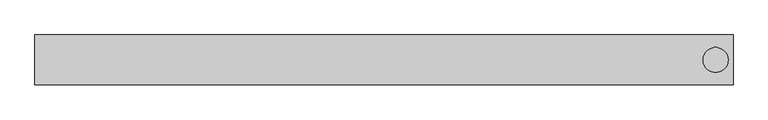
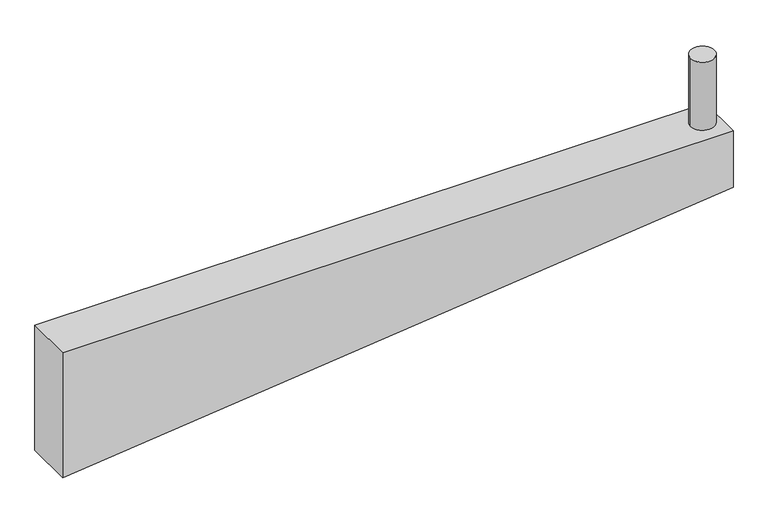
"""IFC4 building model written with IfcOpenShell, lengths in millimetres: beam geometry."""

from ifc_helpers import new_model, si_unit, point, frame, frame_2d, origin, origin_with_axes, place, context, project, spatial, polyline, circle_curve, trimmed, segment, composite_curve, outline, extrude, source, transform, mapped, element, save


def beam_c3926f72(model_context):
    return source(origin(), model_context, "Body", "SweptSolid", [
        extrude(outline(composite_curve([segment(trimmed(circle_curve(frame_2d((1325.0, 0.0)), 50.0), [point((1275.0, 0.0))], [point((1375.0, 0.0))], False, "CARTESIAN"), True, "CONTINUOUS"), segment(trimmed(circle_curve(frame_2d((1325.0, 0.0)), 50.0), [point((1375.0, 0.0))], [point((1275.0, 0.0))], False, "CARTESIAN"), True, "CONTINUOUS")], self_intersect=False)), origin_with_axes(), (0.0, 0.0, 1.0), 300.0),
        extrude(outline(polyline([(-250.0, 1395.0), (0.0, 1395.0), (0.0, -1395.0), (-550.0, -1395.0), (-250.0, 1395.0)])), frame((0.0, -100.0, 0.0), z_axis=(0.0, 1.0, 0.0), x_axis=(0.0, 0.0, 1.0)), (0.0, 0.0, 1.0), 200.0),
    ])


if __name__ == "__main__":
    model = new_model("IFC4")
    model_context = context("Model", 3, world=origin())
    ifc_project = project(units=[si_unit("LENGTHUNIT", "METRE", prefix="MILLI")], contexts=[model_context])
    site = spatial("IfcSite", under=ifc_project)
    building = spatial("IfcBuilding", under=site)
    placement = place(None, origin())
    beam_shape = beam_c3926f72(model_context)
    element("IfcBeam", 1, at=placement, inside=building, context=model_context, shape_type="MappedRepresentation", body=[
        mapped(beam_shape, transform((0.0, 0.0, 0.0), x_axis=(1.0, 0.0, 0.0), y_axis=(0.0, 1.0, 0.0), z_axis=(0.0, 0.0, 1.0))),
    ])
    save(model, "model.ifc")
